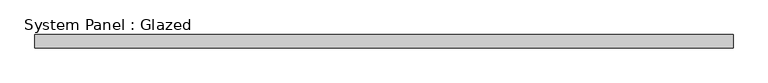
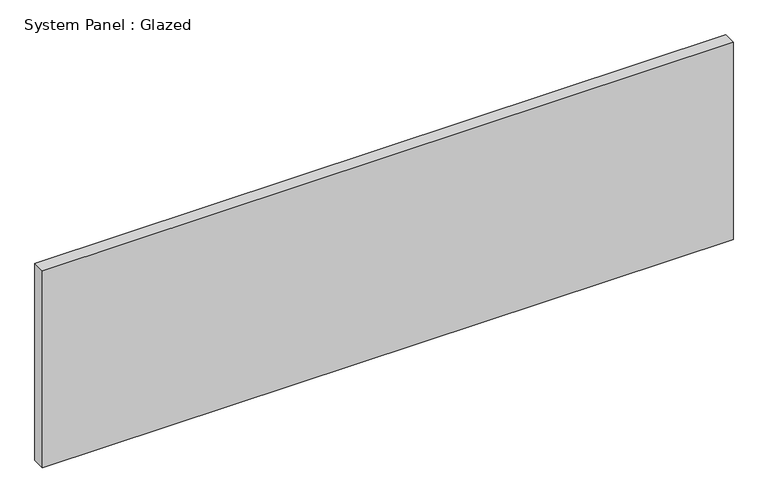
"""IFC4 building model written with IfcOpenShell, lengths in millimetres: plate geometry, System Panel : Glazed."""

from ifc_helpers import new_model, si_unit, origin, origin_with_axes, place, context, project, spatial, polyline, outline, extrude, source, transform, mapped, element, save


def system_panel_glazed_3008aca3(model_context):
    return source(origin(), model_context, "Body", "SweptSolid", [
        extrude(outline(polyline([(673.1000002, -44.45), (-673.1000002, -44.45), (-673.1000002, -19.05), (673.1000002, -19.05), (673.1000002, -44.45)])), origin_with_axes(), (0.0, 0.0, 1.0), 406.4),
    ])


if __name__ == "__main__":
    model = new_model("IFC4")
    model_context = context("Model", 3, world=origin())
    ifc_project = project(units=[si_unit("LENGTHUNIT", "METRE", prefix="MILLI")], contexts=[model_context])
    site = spatial("IfcSite", under=ifc_project)
    building = spatial("IfcBuilding", under=site)
    placement = place(None, origin())
    system_panel_glazed_shape = system_panel_glazed_3008aca3(model_context)
    element("IfcPlate", 1, ObjectType="System Panel : Glazed", at=placement, inside=building, context=model_context, shape_type="MappedRepresentation", body=[
        mapped(system_panel_glazed_shape, transform((0.0, 0.0, 0.0), x_axis=(1.0, 0.0, 0.0), y_axis=(0.0, 1.0, 0.0), z_axis=(0.0, 0.0, 1.0))),
    ])
    save(model, "model.ifc")
